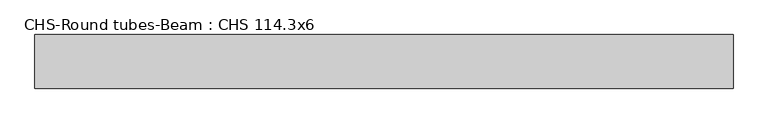
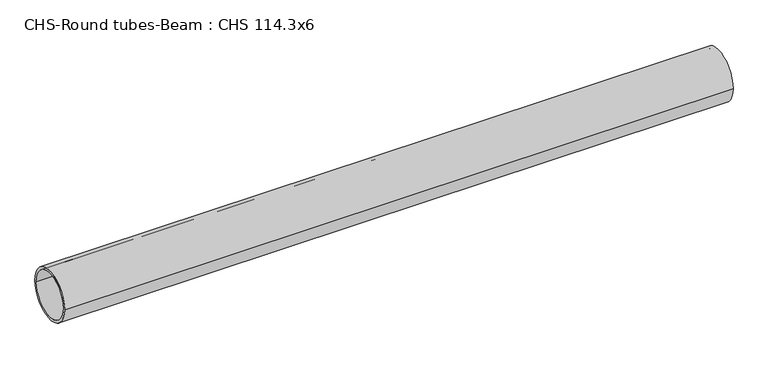
"""IFC4 building model written with IfcOpenShell, lengths in millimetres: beam geometry, CHS-Round tubes-Beam : CHS 114.3x6."""

from ifc_helpers import new_model, si_unit, point, frame, origin, origin_2d, place, context, project, spatial, circle_curve, trimmed, segment, composite_curve, outline, extrude, source, transform, mapped, element, save


def chs_round_tubes_beam_chs_114_3x6_a5443735(model_context):
    return source(origin(), model_context, "Body", "SweptSolid", [
        extrude(outline(composite_curve([segment(trimmed(circle_curve(origin_2d(), 57.15), [point((57.15, 0.0))], [point((-57.15, 0.0))], False, "CARTESIAN"), True, "CONTINUOUS"), segment(trimmed(circle_curve(origin_2d(), 57.15), [point((-57.15, 0.0))], [point((57.15, 0.0))], False, "CARTESIAN"), True, "CONTINUOUS")], self_intersect=False), holes=[composite_curve([segment(trimmed(circle_curve(origin_2d(), 51.15), [point((51.15, 0.0))], [point((-51.15, 0.0))], True, "CARTESIAN"), True, "CONTINUOUS"), segment(trimmed(circle_curve(origin_2d(), 51.15), [point((-51.15, 0.0))], [point((51.15, 0.0))], True, "CARTESIAN"), True, "CONTINUOUS")], self_intersect=False)]), frame((-739.246636, 0.0, 0.0), z_axis=(1.0, 0.0, 0.0), x_axis=(0.0, 1.0, 0.0)), (0.0, 0.0, 1.0), 1487.6265232),
    ])


if __name__ == "__main__":
    model = new_model("IFC4")
    model_context = context("Model", 3, world=origin())
    ifc_project = project(units=[si_unit("LENGTHUNIT", "METRE", prefix="MILLI")], contexts=[model_context])
    site = spatial("IfcSite", under=ifc_project)
    building = spatial("IfcBuilding", under=site)
    placement = place(None, origin())
    chs_round_tubes_beam_chs_114_3x6_shape = chs_round_tubes_beam_chs_114_3x6_a5443735(model_context)
    element("IfcBeam", 1, ObjectType="CHS-Round tubes-Beam : CHS 114.3x6", at=placement, inside=building, context=model_context, shape_type="MappedRepresentation", body=[
        mapped(chs_round_tubes_beam_chs_114_3x6_shape, transform((0.0, 0.0, 0.0), x_axis=(1.0, 0.0, 0.0), y_axis=(0.0, 1.0, 0.0), z_axis=(0.0, 0.0, 1.0))),
    ])
    save(model, "model.ifc")
